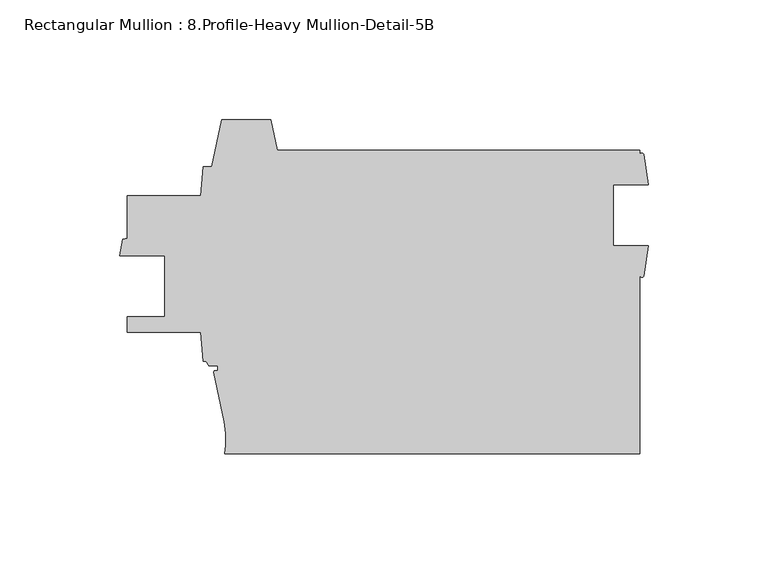
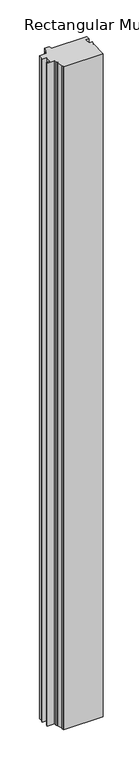
"""IFC4 building model written with IfcOpenShell, lengths in millimetres: member geometry, Rectangular Mullion : 8.Profile-Heavy Mullion-Detail-5B."""

from ifc_helpers import new_model, si_unit, point, frame, frame_2d, origin, place, context, project, spatial, polyline, circle_curve, trimmed, segment, composite_curve, outline, extrude, source, transform, mapped, element, save


def rectangular_mullion_8_profile_heavy_mullion_detail_5b_4fa1b68a(model_context):
    return source(origin(), model_context, "Body", "SweptSolid", [
        extrude(outline(composite_curve([segment(polyline([(-187.0313378, 41.7274678), (-185.9591771, 53.7274678), (-182.5529449, 53.7274678)]), True, "CONTINUOUS"), segment(trimmed(circle_curve(frame_2d((-845.5512452, 204.8342309)), 680.0), [point((-182.5529449, 53.7274678))], [point((-178.3590684, 73.4774678))], True, "CARTESIAN"), True, "CONTINUOUS"), segment(polyline([(-178.3590684, 73.4774678), (-157.7036077, 73.4774678)]), True, "CONTINUOUS"), segment(trimmed(circle_curve(frame_2d((509.4885692, 204.8342309)), 680.0), [point((-157.7036077, 73.4774678))], [point((-155.0752591, 60.7685579))], True, "CARTESIAN"), True, "CONTINUOUS"), segment(polyline([(-155.0752591, 60.7685579), (-3.5131568, 60.7685579), (-3.5131568, 59.0363204)]), True, "CONTINUOUS"), segment(trimmed(circle_curve(frame_2d((-2.7202086, 58.5347029)), 0.9382894), [point((-3.5131568, 59.0363204))], [point((-1.9272605, 59.0363204))], False, "CARTESIAN"), True, "CONTINUOUS"), segment(polyline([(-1.9272605, 59.0363204), (-0.1171568, 46.2650329), (-14.6256568, 46.2650329), (-14.6256568, 20.8212317), (0.0, 20.8212317), (-1.8497524, 8.0919801)]), True, "CONTINUOUS"), segment(trimmed(circle_curve(frame_2d((-2.6814546, 8.6322294)), 0.991765), [point((-1.8497524, 8.0919801))], [point((-3.5131568, 8.0919801))], False, "CARTESIAN"), True, "CONTINUOUS"), segment(polyline([(-3.5131568, 8.0919801), (-3.5131568, -66.2314421), (-176.9928735, -66.2314421)]), True, "CONTINUOUS"), segment(trimmed(circle_curve(frame_2d((-258.5902212, -57.5404602)), 82.0588832), [point((-176.9928735, -66.2314421))], [point((-176.6809637, -62.4936259))], True, "CARTESIAN"), True, "CONTINUOUS"), segment(trimmed(circle_curve(frame_2d((-216.6080279, -60.0791813)), 40.0), [point((-176.6809637, -62.4936259))], [point((-177.2990769, -52.6760492))], True, "CARTESIAN"), True, "CONTINUOUS"), segment(trimmed(circle_curve(frame_2d((-845.5512452, -178.5292952)), 680.0), [point((-177.2990769, -52.6760492))], [point((-181.5195966, -32.0302521))], True, "CARTESIAN"), True, "CONTINUOUS"), segment(trimmed(circle_curve(frame_2d((-181.031338, -31.9225322)), 0.5), [point((-181.5195966, -32.0302521))], [point((-181.031338, -31.4225322))], False, "CARTESIAN"), True, "CONTINUOUS"), segment(polyline([(-181.031338, -31.4225322), (-179.931338, -31.4225322), (-179.931338, -29.4225319), (-183.8064964, -29.4225319)]), True, "CONTINUOUS"), segment(trimmed(circle_curve(frame_2d((-185.981474, -29.6051641)), 2.1826319), [point((-183.8064964, -29.4225319))], [point((-185.959167, -27.4226462))], True, "CARTESIAN"), True, "CONTINUOUS"), segment(polyline([(-185.959167, -27.4226462), (-187.0313378, -15.4225322), (-217.815338, -15.4225322), (-217.815338, -8.8823784), (-202.1943381, -8.8823784), (-202.1943381, 16.5433677), (-220.9366967, 16.5433677), (-219.6568381, 23.4875714), (-217.8153381, 23.8122775), (-217.8153381, 41.7274678), (-187.0313378, 41.7274678)]), True, "CONTINUOUS")], self_intersect=False)), frame((0.0, 0.0, -3048.0), z_axis=(0.0, 0.0, 1.0), x_axis=(1.0, 0.0, 0.0)), (0.0, 0.0, 1.0), 3048.0),
    ])


if __name__ == "__main__":
    model = new_model("IFC4")
    model_context = context("Model", 3, world=origin())
    ifc_project = project(units=[si_unit("LENGTHUNIT", "METRE", prefix="MILLI")], contexts=[model_context])
    site = spatial("IfcSite", under=ifc_project)
    building = spatial("IfcBuilding", under=site)
    placement = place(None, origin())
    rectangular_mullion_8_profile_heavy_mullion_detail_5b_shape = rectangular_mullion_8_profile_heavy_mullion_detail_5b_4fa1b68a(model_context)
    element("IfcMember", 1, ObjectType="Rectangular Mullion : 8.Profile-Heavy Mullion-Detail-5B", at=placement, inside=building, context=model_context, shape_type="MappedRepresentation", body=[
        mapped(rectangular_mullion_8_profile_heavy_mullion_detail_5b_shape, transform((0.0, 0.0, 0.0), x_axis=(1.0, 0.0, 0.0), y_axis=(0.0, 1.0, 0.0), z_axis=(0.0, 0.0, 1.0))),
    ])
    save(model, "model.ifc")
